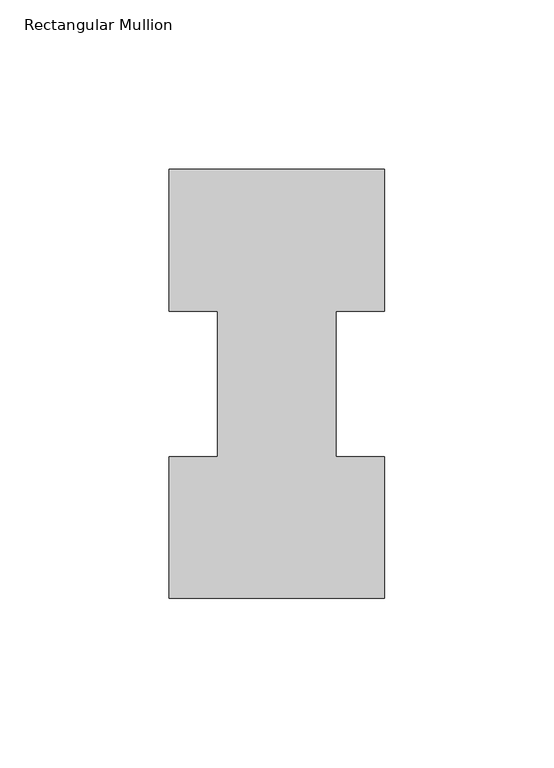
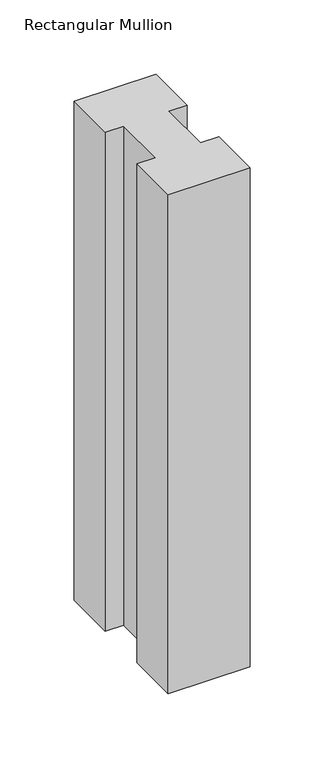
"""IFC4 building model written with IfcOpenShell, lengths in millimetres: member geometry, Rectangular Mullion."""

from ifc_helpers import new_model, si_unit, frame, origin, place, context, project, spatial, polyline, outline, extrude, source, transform, mapped, element, save


def rectangular_mullion_9240cc19(model_context):
    return source(origin(), model_context, "Body", "SweptSolid", [
        extrude(outline(polyline([(-63.5, 0.2967757), (-63.5, 42.1178757), (-49.2125, 42.1178757), (-49.2125, 84.93125), (-63.5, 84.93125), (-63.5, 126.7887757), (0.0, 126.7887757), (0.0, 84.93125), (-14.2748, 84.93125), (-14.2748, 42.1178757), (0.0, 42.1178757), (0.0, 0.2967757), (-63.5, 0.2967757)])), frame((0.0, 0.0, -409.575), z_axis=(0.0, 0.0, 1.0), x_axis=(1.0, 0.0, 0.0)), (0.0, 0.0, 1.0), 409.575),
    ])


if __name__ == "__main__":
    model = new_model("IFC4")
    model_context = context("Model", 3, world=origin())
    ifc_project = project(units=[si_unit("LENGTHUNIT", "METRE", prefix="MILLI")], contexts=[model_context])
    site = spatial("IfcSite", under=ifc_project)
    building = spatial("IfcBuilding", under=site)
    placement = place(None, origin())
    rectangular_mullion_shape = rectangular_mullion_9240cc19(model_context)
    element("IfcMember", 1, ObjectType="Rectangular Mullion", at=placement, inside=building, context=model_context, shape_type="MappedRepresentation", body=[
        mapped(rectangular_mullion_shape, transform((0.0, 0.0, 0.0), x_axis=(1.0, 0.0, 0.0), y_axis=(0.0, 1.0, 0.0), z_axis=(0.0, 0.0, 1.0))),
    ])
    save(model, "model.ifc")
